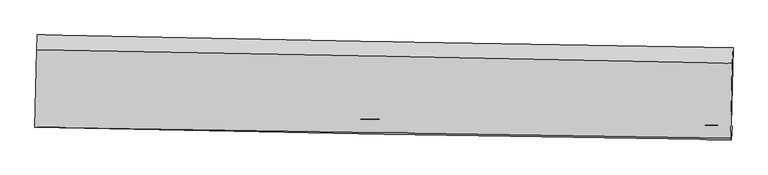
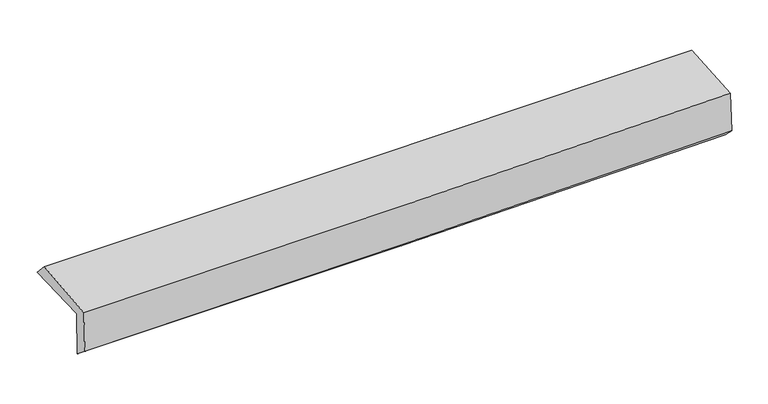
"""IFC4 building model written with IfcOpenShell, lengths in millimetres: proxy geometry."""

from ifc_helpers import new_model, si_unit, frame, origin, place, context, project, spatial, source, transform, mapped, element, save
from ifc_brep_helpers import plane_surface, spline_curve, spline_surface, advanced_brep


def generic_models_ac49b93e(model_context):
    return source(origin(), model_context, "Body", "AdvancedBrep", [
        advanced_brep(
        [(-3025.9665643, -1754.9293893, 1980.3398811), (-3008.966841, -1084.2526891, 1978.4690348), (3016.4628944, -1197.0139117, 2118.8938177), (2999.3689305, -1867.8174681, 2124.9605325), (-3017.083276, -1750.3500103, 1576.2305284), (3008.032391, -1874.2969585, 1718.094271), (-3022.8130568, -1883.4034974, 1685.2519153), (3002.6225683, -1991.3336895, 1831.0358222), (-3031.1053013, -1883.7740386, 2067.0244228), (2994.8383239, -1980.3052824, 2202.6792227), (-3015.1345146, -1211.7303479, 2114.1723375), (3010.6463446, -1330.0345707, 2231.9528057)],
        [
            (0, 1),
            (1, 2, spline_curve(3, [(-3008.966841, -1084.2526891, 1978.4690348), (-2004.527352215, -1104.867453279, 1990.951782148), (-1000.193608983, -1124.571516971, 2008.895045322), (1008.282973939, -1162.158628709, 2055.703082476), (2012.425809214, -1180.041639059, 2084.568080183), (3016.4628944, -1197.0139117, 2118.8938177)], [4, 2, 4], [0.0, 9.888753573679608, 19.777709875495507])),
            (2, 3),
            (3, 0, spline_curve(3, [(2999.3689305, -1867.8174681, 2124.9605325), (1995.375127957, -1850.933170252, 2088.537276151), (991.26178761, -1833.083575117, 2058.273866414), (-1017.183382375, -1795.454175997, 2010.06723532), (-2021.515206703, -1775.674411438, 1992.123760897), (-3025.9665643, -1754.9293893, 1980.3398811)], [4, 2, 4], [0.0, 9.888956301815899, 19.777709875495507])),
            (4, 0),
            (3, 5),
            (5, 4, spline_curve(3, [(3008.032391, -1874.2969585, 1718.094271), (2004.110636166, -1851.951137977, 1684.715642547), (1000.051638329, -1830.449217977, 1656.204278312), (-1008.320256046, -1789.133603322, 1608.916563603), (-2012.63314736, -1769.319873643, 1590.14001364), (-3017.083276, -1750.3500103, 1576.2305284)], [4, 2, 4], [0.0, 9.888878309256512, 19.777553891975614])),
            (6, 4),
            (5, 7),
            (7, 6, spline_curve(3, [(3002.6225683, -1991.3336895, 1831.0358222), (1998.432245903, -1977.002636718, 1800.694702521), (994.212302126, -1960.84281682, 1773.375390428), (-1014.26624095, -1924.866010954, 1724.780878682), (-2018.524838653, -1905.04910035, 1703.505555201), (-3022.8130568, -1883.4034974, 1685.2519153)], [4, 2, 4], [0.0, 9.888819638333446, 19.777436551332265])),
            (8, 6),
            (7, 9),
            (9, 8, spline_curve(3, [(2994.8383239, -1980.3052824, 2202.6792227), (1990.695402303, -1964.347598208, 2172.049165835), (986.456824109, -1948.324402732, 2145.429495992), (-1022.191054597, -1916.147318693, 2100.211393909), (-2026.600351739, -1899.993433124, 2081.61279726), (-3031.1053013, -1883.7740386, 2067.0244228)], [4, 2, 4], [0.0, 9.888956511408013, 19.777710294675437])),
            (10, 8),
            (9, 11),
            (11, 10, spline_curve(3, [(3010.6463446, -1330.0345707, 2231.9528057), (2006.431164357, -1310.390698792, 2208.949543015), (1002.170021829, -1290.709976195, 2187.632789445), (-1006.423600073, -1251.275233425, 2148.372702384), (-2010.756077132, -1231.521215274, 2130.429299916), (-3015.1345146, -1211.7303479, 2114.1723375)], [4, 2, 4], [0.0, 9.888848351937211, 19.777493977951153])),
            (1, 10),
            (11, 2),
        ],
        [
            spline_surface(3, 3, [[(-3025.9665643, -1754.9293893, 1980.3398811), (-2021.515206763, -1775.674411513, 1992.123760986), (-1017.183382294, -1795.454175977, 2010.067235253), (991.261787528, -1833.083575137, 2058.273866481), (1995.375128017, -1850.933170309, 2088.537276045), (2999.3689305, -1867.8174681, 2124.9605325)], [(-3020.299989865, -1531.370489226, 1979.716265661), (-2015.852588574, -1552.072092131, 1991.733101405), (-1011.520124506, -1571.826623011, 2009.676505283), (996.935516311, -1609.441926301, 2057.416938461), (2001.058688383, -1627.302659935, 2087.21421081), (3005.066918484, -1644.216282657, 2122.938294248)], [(-3014.633415435, -1307.811589174, 1979.092650239), (-2010.18997039, -1328.469772771, 1991.342441841), (-1005.856866712, -1348.19907003, 2009.28577533), (1002.609245099, -1385.800277452, 2056.560010458), (2006.742248698, -1403.672149491, 2085.891145531), (3010.764906416, -1420.615097143, 2120.916055952)], [(-3008.966841, -1084.2526891, 1978.4690348), (-2004.527352201, -1104.867453389, 1990.95178226), (-1000.193608925, -1124.571517064, 2008.89504536), (1008.282973881, -1162.158628617, 2055.703082438), (2012.425809065, -1180.041639118, 2084.568080295), (3016.4628944, -1197.0139117, 2118.8938177)]], [4, 4], [4, 2, 4], [0.0, 2.2018434972813137], [0.0, 9.888753573679608, 19.777709875495507]),
            spline_surface(3, 3, [[(-3017.083276, -1750.3500103, 1576.2305284), (-2012.633147521, -1769.319873711, 1590.140013589), (-1008.320256172, -1789.133603249, 1608.91656364), (1000.051638455, -1830.44921805, 1656.204278275), (2004.110636106, -1851.951137909, 1684.715642434), (3008.032391, -1874.2969585, 1718.094271)], [(-3020.044372106, -1751.876469974, 1710.933645984), (-2015.593833941, -1771.438052985, 1724.134596072), (-1011.274631546, -1791.240460835, 1742.633454171), (997.121688146, -1831.32733709, 1790.227474337), (2001.198800058, -1851.611815363, 1819.322853645), (3005.144570815, -1872.137128354, 1853.716358174)], [(-3023.005468194, -1753.402929626, 1845.636763516), (-2018.554520343, -1773.556232238, 1858.129178503), (-1014.22900692, -1793.34731839, 1876.350344722), (994.191737837, -1832.205456097, 1924.250670419), (1998.286964065, -1851.272492855, 1953.930064834), (3002.256750685, -1869.977298246, 1989.338445326)], [(-3025.9665643, -1754.9293893, 1980.3398811), (-2021.515206763, -1775.674411513, 1992.123760986), (-1017.183382294, -1795.454175977, 2010.067235253), (991.261787528, -1833.083575137, 2058.273866481), (1995.375128017, -1850.933170309, 2088.537276045), (2999.3689305, -1867.8174681, 2124.9605325)]], [4, 4], [4, 2, 4], [0.0, 1.318018611220935], [0.0, 9.888675582719102, 19.777553891975614]),
            spline_surface(3, 3, [[(-3022.8130568, -1883.4034974, 1685.2519153), (-2018.52483876, -1905.049100339, 1703.505555265), (-1014.266240862, -1924.86601105, 1724.780878678), (994.212302038, -1960.842816724, 1773.375390432), (1998.432245869, -1977.002636726, 1800.69470262), (3002.6225683, -1991.3336895, 1831.0358222)], [(-3020.903129865, -1839.052335014, 1648.911452996), (-2016.560941679, -1859.806024777, 1665.717041369), (-1012.284245973, -1879.6218751, 1686.159440342), (996.158747503, -1917.378283817, 1734.318353056), (2000.32504263, -1935.318803776, 1762.035015865), (3004.425842549, -1952.321445822, 1793.388638441)], [(-3018.993202935, -1794.701172686, 1612.570990704), (-2014.597044602, -1814.562949273, 1627.928527485), (-1010.302251061, -1834.377739199, 1647.538001976), (998.10519299, -1873.913750958, 1695.26131565), (2002.217839345, -1893.634970859, 1723.375329188), (3006.229116751, -1913.309202178, 1755.741454759)], [(-3017.083276, -1750.3500103, 1576.2305284), (-2012.633147521, -1769.319873711, 1590.140013589), (-1008.320256172, -1789.133603249, 1608.91656364), (1000.051638455, -1830.44921805, 1656.204278275), (2004.110636106, -1851.951137909, 1684.715642434), (3008.032391, -1874.2969585, 1718.094271)]], [4, 4], [4, 2, 4], [0.0, 0.5805960677506157], [0.0, 9.888616912998819, 19.777436551332265]),
            spline_surface(3, 3, [[(-3031.1053013, -1883.7740386, 2067.0244228), (-2026.600351879, -1899.993432993, 2081.612797099), (-1022.191054735, -1916.147318738, 2100.211393843), (986.456824247, -1948.324402688, 2145.429496058), (1990.695402183, -1964.347598214, 2172.049165928), (2994.8383239, -1980.3052824, 2202.6792227)], [(-3028.341219792, -1883.650524866, 1939.766920312), (-2023.908514165, -1901.67865544, 1955.577049833), (-1019.549450114, -1919.053549508, 1975.067888766), (989.041983508, -1952.497207366, 2021.411460827), (1993.274350078, -1968.565944379, 2048.264344844), (2997.433072033, -1983.981418094, 2078.798089219)], [(-3025.577138308, -1883.527011134, 1812.509417788), (-2021.216676474, -1903.363877891, 1829.54130253), (-1016.907845483, -1921.95978028, 1849.924383755), (991.627142777, -1956.670012046, 1897.393425663), (1995.853297974, -1972.784290561, 1924.479523703), (3000.027820167, -1987.657553806, 1954.916955681)], [(-3022.8130568, -1883.4034974, 1685.2519153), (-2018.52483876, -1905.049100339, 1703.505555265), (-1014.266240862, -1924.86601105, 1724.780878678), (994.212302038, -1960.842816724, 1773.375390432), (1998.432245869, -1977.002636726, 1800.69470262), (3002.6225683, -1991.3336895, 1831.0358222)]], [4, 4], [4, 2, 4], [0.0, 1.2269530230497727], [0.0, 9.888753783267424, 19.777710294675437]),
            spline_surface(3, 3, [[(-3015.1345146, -1211.7303479, 2114.1723375), (-2010.756077011, -1231.521215307, 2130.429300045), (-1006.423599928, -1251.275233588, 2148.37270245), (1002.170021684, -1290.709976031, 2187.632789379), (2006.431164346, -1310.390698687, 2208.949543021), (3010.6463446, -1330.0345707, 2231.9528057)], [(-3020.458110169, -1435.744911491, 2098.456365912), (-2016.037501969, -1454.345287893, 2114.157132375), (-1011.67941818, -1472.899261997, 2132.318932924), (996.932289222, -1509.914784942, 2173.565024948), (2001.185910289, -1528.376331886, 2196.649417302), (3005.377004364, -1546.791474624, 2222.194944679)], [(-3025.781705731, -1659.759475009, 2082.740394388), (-2021.31892692, -1677.169360407, 2097.884964769), (-1016.935236483, -1694.523290329, 2116.265163369), (991.694556709, -1729.119593777, 2159.497260489), (1995.94065624, -1746.361965014, 2184.349291647), (3000.107664136, -1763.548378476, 2212.437083721)], [(-3031.1053013, -1883.7740386, 2067.0244228), (-2026.600351879, -1899.993432993, 2081.612797099), (-1022.191054735, -1916.147318738, 2100.211393843), (986.456824247, -1948.324402688, 2145.429496058), (1990.695402183, -1964.347598214, 2172.049165928), (2994.8383239, -1980.3052824, 2202.6792227)]], [4, 4], [4, 2, 4], [0.0, 2.1751046529794857], [0.0, 9.888645626013941, 19.777493977951153]),
            spline_surface(3, 3, [[(-3008.966841, -1084.2526891, 1978.4690348), (-2004.527352201, -1104.867453389, 1990.95178226), (-1000.193608925, -1124.571517064, 2008.89504536), (1008.282973881, -1162.158628617, 2055.703082438), (2012.425809065, -1180.041639118, 2084.568080295), (3016.4628944, -1197.0139117, 2118.8938177)], [(-3011.022732202, -1126.74524203, 2023.703469034), (-2006.603593807, -1147.085374025, 2037.444288189), (-1002.270272598, -1166.806089215, 2055.387597738), (1006.245323143, -1205.009077731, 2099.679651434), (2010.427594147, -1223.491325623, 2126.028567876), (3014.524044456, -1241.354131349, 2156.580147039)], [(-3013.078623398, -1169.23779497, 2068.937903266), (-2008.679835406, -1189.303294671, 2083.936794116), (-1004.346936255, -1209.040661437, 2101.880150072), (1004.207672421, -1247.859526917, 2143.656220384), (2008.429379263, -1266.941012181, 2167.48905544), (3012.585194544, -1285.694351051, 2194.266476361)], [(-3015.1345146, -1211.7303479, 2114.1723375), (-2010.756077011, -1231.521215307, 2130.429300045), (-1006.423599928, -1251.275233588, 2148.37270245), (1002.170021684, -1290.709976031, 2187.632789379), (2006.431164346, -1310.390698687, 2208.949543021), (3010.6463446, -1330.0345707, 2231.9528057)]], [4, 4], [4, 2, 4], [0.0, 0.6115255611288929], [0.0, 9.888581753219174, 19.77736623105217]),
            plane_surface(frame((3005.3285755, -1706.8003135, 2037.9360786), z_axis=(0.9994454009197111, -0.02527257649539533, 0.021683806347645104), x_axis=(0.020931663487065703, -0.029655146220024638, -0.9993410017438158))),
            plane_surface(frame((-3020.178259, -1594.7399954, 1900.24802), z_axis=(-0.9994454009198575, 0.025272576488254976, -0.02168380634922959), x_axis=(-0.025338883686609102, -0.9996750295833767, 0.0027885840477621195))),
        ],
        [
            (0, [[1, 2, 3, 4]]),
            (1, [[5, -4, 6, 7]]),
            (2, [[8, -7, 9, 10]]),
            (3, [[11, -10, 12, 13]]),
            (4, [[14, -13, 15, 16]]),
            (5, [[17, -16, 18, -2]]),
            (6, [[-12, -9, -6, -3, -18, -15]]),
            (7, [[-1, -5, -8, -11, -14, -17]]),
        ],
    ),
    ])


if __name__ == "__main__":
    model = new_model("IFC4")
    model_context = context("Model", 3, world=origin())
    ifc_project = project(units=[si_unit("LENGTHUNIT", "METRE", prefix="MILLI")], contexts=[model_context])
    site = spatial("IfcSite", under=ifc_project)
    building = spatial("IfcBuilding", under=site)
    placement = place(None, origin())
    generic_models_shape = generic_models_ac49b93e(model_context)
    element("IfcBuildingElementProxy", 1, Name="Generic Models", at=placement, inside=building, context=model_context, shape_type="MappedRepresentation", body=[
        mapped(generic_models_shape, transform((0.0, 0.0, 0.0), x_axis=(1.0, 0.0, 0.0), y_axis=(0.0, 1.0, 0.0), z_axis=(0.0, 0.0, 1.0))),
    ])
    save(model, "model.ifc")
